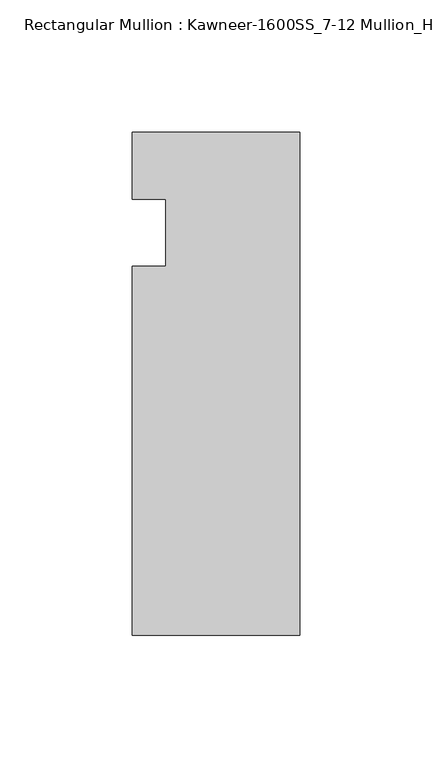
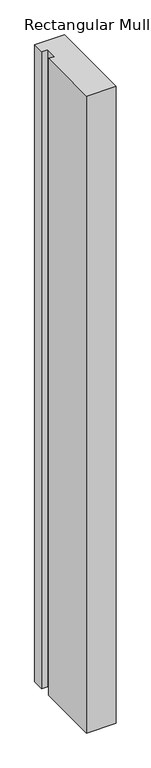
"""IFC4 building model written with IfcOpenShell, lengths in millimetres: member geometry, Rectangular Mullion : Kawneer-1600SS_7-12 Mullion_Head."""

from ifc_helpers import new_model, si_unit, frame, origin, place, context, project, spatial, polyline, outline, extrude, source, transform, mapped, element, save


def rectangular_mullion_kawneer_1600ss_7_12_mullion_head_5a31b2a8(model_context):
    return source(origin(), model_context, "Body", "SweptSolid", [
        extrude(outline(polyline([(-63.5, -152.4), (-63.5, -12.7), (-50.7982296, -12.7), (-50.7982296, 12.7), (-63.5, 12.7), (-63.5, 38.1), (0.0, 38.1), (0.0, -152.4), (-63.5, -152.4)])), frame((0.0, 0.0, -1433.0844027), z_axis=(0.0, 0.0, 1.0), x_axis=(1.0, 0.0, 0.0)), (0.0, 0.0, 1.0), 1433.0844027),
    ])


if __name__ == "__main__":
    model = new_model("IFC4")
    model_context = context("Model", 3, world=origin())
    ifc_project = project(units=[si_unit("LENGTHUNIT", "METRE", prefix="MILLI")], contexts=[model_context])
    site = spatial("IfcSite", under=ifc_project)
    building = spatial("IfcBuilding", under=site)
    placement = place(None, origin())
    rectangular_mullion_kawneer_1600ss_7_12_mullion_head_shape = rectangular_mullion_kawneer_1600ss_7_12_mullion_head_5a31b2a8(model_context)
    element("IfcMember", 1, ObjectType="Rectangular Mullion : Kawneer-1600SS_7-12 Mullion_Head", at=placement, inside=building, context=model_context, shape_type="MappedRepresentation", body=[
        mapped(rectangular_mullion_kawneer_1600ss_7_12_mullion_head_shape, transform((0.0, 0.0, 0.0), x_axis=(1.0, 0.0, 0.0), y_axis=(0.0, 1.0, 0.0), z_axis=(0.0, 0.0, 1.0))),
    ])
    save(model, "model.ifc")
